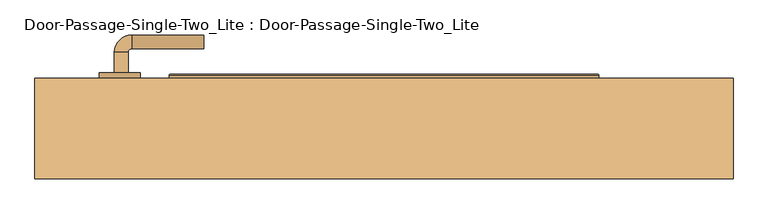
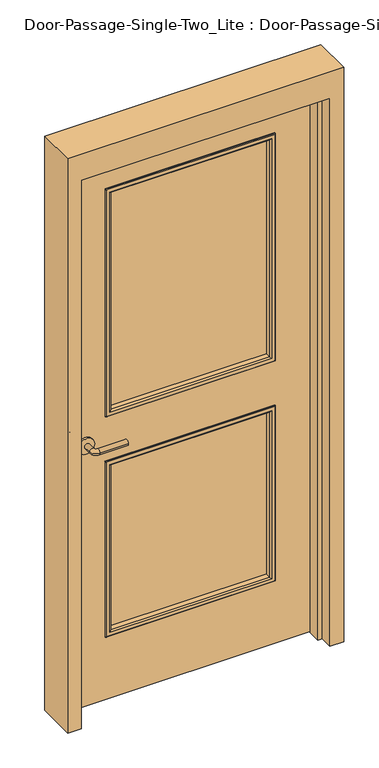
"""IFC4 building model written with IfcOpenShell, lengths in millimetres: door geometry, Door-Passage-Single-Two_Lite : Door-Passage-Single-Two_Lite."""

from ifc_helpers import new_model, si_unit, point, frame, frame_2d, origin, place, context, project, spatial, polyline, circle_curve, ellipse_curve, trimmed, segment, composite_curve, outline, extrude, faceted_brep, source, transform, mapped, element, save
from ifc_brep_helpers import plane_surface, cylinder_surface, revolved_surface, advanced_brep


def door_passage_single_two_lite_door_passage_single_two_lite_fec6f3ca(model_context):
    return source(origin(), model_context, "Body", "SolidModel", [
        advanced_brep(
        [(-392.190625, 104.7125, 1016.0), (-372.190625, 104.7125, 1016.0), (-372.190625, 74.7125, 1016.0), (-392.190625, 74.7125, 1016.0), (-367.190625, 69.7125, 1016.0), (-367.190625, 49.7125, 1016.0), (-262.190625, 49.7125, 1016.0), (-262.190625, 69.7125, 1016.0)],
        [
            (0, 1, circle_curve(frame((-382.190625, 104.7125, 1016.0), z_axis=(0.0, 1.0, 0.0), x_axis=(1.0, 0.0, 0.0)), 10.0)),
            (1, 0, circle_curve(frame((-382.190625, 104.7125, 1016.0), z_axis=(0.0, 1.0, 0.0), x_axis=(1.0, 0.0, 0.0)), 10.0)),
            (1, 2),
            (2, 3, circle_curve(frame((-382.190625, 74.7125, 1016.0), z_axis=(0.0, 1.0, 0.0), x_axis=(1.0, 0.0, 0.0)), 10.0)),
            (3, 0),
            (3, 2, circle_curve(frame((-382.190625, 74.7125, 1016.0), z_axis=(0.0, 1.0, 0.0), x_axis=(1.0, 0.0, 0.0)), 10.0)),
            (4, 5, circle_curve(frame((-367.190625, 59.7125, 1016.0), z_axis=(-1.0, 0.0, 0.0), x_axis=(0.0, 1.0, 0.0)), 10.0)),
            (5, 3, circle_curve(frame((-367.190625, 74.7125, 1016.0), z_axis=(0.0, 0.0, -1.0), x_axis=(-1.0, 0.0, 0.0)), 25.0)),
            (2, 4, circle_curve(frame((-367.190625, 74.7125, 1016.0), z_axis=(0.0, 0.0, 1.0), x_axis=(-1.0, 0.0, 0.0)), 5.0)),
            (5, 4, circle_curve(frame((-367.190625, 59.7125, 1016.0), z_axis=(-1.0, 0.0, 0.0), x_axis=(0.0, 1.0, 0.0)), 10.0)),
            (6, 7, circle_curve(frame((-262.190625, 59.7125, 1016.0), z_axis=(1.0, 0.0, 0.0), x_axis=(0.0, 1.0, 0.0)), 10.0)),
            (7, 6, circle_curve(frame((-262.190625, 59.7125, 1016.0), z_axis=(1.0, 0.0, 0.0), x_axis=(0.0, 1.0, 0.0)), 10.0)),
            (4, 7),
            (6, 5),
        ],
        [
            plane_surface(frame((-382.190625, 104.7125, 1016.0), z_axis=(0.0, 1.0, 0.0), x_axis=(0.0, 0.0, 1.0))),
            cylinder_surface(frame((-382.190625, 104.7125, 1016.0), z_axis=(0.0, 1.0, 0.0), x_axis=(1.0, 0.0, 0.0)), 10.0),
            revolved_surface(trimmed(ellipse_curve(frame((-382.190625, 74.7125, 1016.0), z_axis=(0.0, -1.0, 0.0), x_axis=(1.0, 0.0, 0.0)), 10.0, 10.0), [point((-392.190625, 74.7125, 1016.0))], [point((-372.190625, 74.7125, 1016.0))], True, "CARTESIAN"), (-367.190625, 74.7125, 1016.0), (0.0, 0.0, -1.0)),
            revolved_surface(trimmed(ellipse_curve(frame((-382.190625, 74.7125, 1016.0), z_axis=(0.0, -1.0, 0.0), x_axis=(1.0, 0.0, 0.0)), 10.0, 10.0), [point((-372.190625, 74.7125, 1016.0))], [point((-392.190625, 74.7125, 1016.0))], True, "CARTESIAN"), (-367.190625, 74.7125, 1016.0), (0.0, 0.0, -1.0)),
            plane_surface(frame((-262.190625, 59.7125, 1016.0), z_axis=(1.0, 0.0, 0.0), x_axis=(0.0, 0.0, 1.0))),
            cylinder_surface(frame((-367.190625, 59.7125, 1016.0), z_axis=(-1.0, 0.0, 0.0), x_axis=(0.0, 1.0, 0.0)), 10.0),
        ],
        [
            (0, [[1, 2]]),
            (1, [[3, 4, 5, -2]]),
            (1, [[-5, 6, -3, -1]]),
            (2, [[7, 8, -4, 9]]),
            (3, [[10, -9, -6, -8]]),
            (4, [[11, 12]]),
            (5, [[13, -11, 14, -7]]),
            (5, [[-14, -12, -13, -10]]),
        ],
    ),
        extrude(outline(composite_curve([segment(trimmed(circle_curve(frame_2d((1016.0, -384.690625)), 30.0), [point((1016.0, -414.690625))], [point((1016.0, -354.690625))], False, "CARTESIAN"), True, "CONTINUOUS"), segment(trimmed(circle_curve(frame_2d((1016.0, -384.690625)), 30.0), [point((1016.0, -354.690625))], [point((1016.0, -414.690625))], False, "CARTESIAN"), True, "CONTINUOUS")], self_intersect=False)), frame((0.0, 104.7125, 0.0), z_axis=(0.0, 1.0, 0.0), x_axis=(0.0, 0.0, 1.0)), (0.0, 0.0, 1.0), 8.0),
        advanced_brep(
        [(-392.190625, 165.1625, 1016.0), (-372.190625, 165.1625, 1016.0), (-392.190625, 195.1625, 1016.0), (-372.190625, 195.1625, 1016.0), (-367.190625, 200.1625, 1016.0), (-367.190625, 220.1625, 1016.0), (-262.190625, 220.1625, 1016.0), (-262.190625, 200.1625, 1016.0)],
        [
            (0, 1, circle_curve(frame((-382.190625, 165.1625, 1016.0), z_axis=(0.0, -1.0, 0.0), x_axis=(1.0, 0.0, 0.0)), 10.0)),
            (1, 0, circle_curve(frame((-382.190625, 165.1625, 1016.0), z_axis=(0.0, -1.0, 0.0), x_axis=(1.0, 0.0, 0.0)), 10.0)),
            (0, 2),
            (2, 3, circle_curve(frame((-382.190625, 195.1625, 1016.0), z_axis=(0.0, -1.0, 0.0), x_axis=(1.0, 0.0, 0.0)), 10.0)),
            (3, 1),
            (3, 2, circle_curve(frame((-382.190625, 195.1625, 1016.0), z_axis=(0.0, -1.0, 0.0), x_axis=(1.0, 0.0, 0.0)), 10.0)),
            (4, 3, circle_curve(frame((-367.190625, 195.1625, 1016.0), z_axis=(0.0, 0.0, 1.0), x_axis=(-1.0, 0.0, 0.0)), 5.0)),
            (2, 5, circle_curve(frame((-367.190625, 195.1625, 1016.0), z_axis=(0.0, 0.0, -1.0), x_axis=(-1.0, 0.0, 0.0)), 25.0)),
            (5, 4, circle_curve(frame((-367.190625, 210.1625, 1016.0), z_axis=(-1.0, 0.0, 0.0), x_axis=(0.0, -1.0, 0.0)), 10.0)),
            (4, 5, circle_curve(frame((-367.190625, 210.1625, 1016.0), z_axis=(-1.0, 0.0, 0.0), x_axis=(0.0, -1.0, 0.0)), 10.0)),
            (6, 7, circle_curve(frame((-262.190625, 210.1625, 1016.0), z_axis=(1.0, 0.0, 0.0), x_axis=(0.0, -1.0, 0.0)), 10.0)),
            (7, 6, circle_curve(frame((-262.190625, 210.1625, 1016.0), z_axis=(1.0, 0.0, 0.0), x_axis=(0.0, -1.0, 0.0)), 10.0)),
            (5, 6),
            (7, 4),
        ],
        [
            plane_surface(frame((-382.190625, 165.1625, 1016.0), z_axis=(0.0, -1.0, 0.0), x_axis=(0.0, 0.0, 1.0))),
            cylinder_surface(frame((-382.190625, 165.1625, 1016.0), z_axis=(0.0, -1.0, 0.0), x_axis=(1.0, 0.0, 0.0)), 10.0),
            revolved_surface(trimmed(ellipse_curve(frame((-382.190625, 195.1625, 1016.0), z_axis=(0.0, -1.0, 0.0), x_axis=(1.0, 0.0, 0.0)), 10.0, 10.0), [point((-392.190625, 195.1625, 1016.0))], [point((-372.190625, 195.1625, 1016.0))], True, "CARTESIAN"), (-367.190625, 195.1625, 1016.0), (0.0, 0.0, -1.0)),
            revolved_surface(trimmed(ellipse_curve(frame((-382.190625, 195.1625, 1016.0), z_axis=(0.0, -1.0, 0.0), x_axis=(1.0, 0.0, 0.0)), 10.0, 10.0), [point((-372.190625, 195.1625, 1016.0))], [point((-392.190625, 195.1625, 1016.0))], True, "CARTESIAN"), (-367.190625, 195.1625, 1016.0), (0.0, 0.0, -1.0)),
            plane_surface(frame((-262.190625, 210.1625, 1016.0), z_axis=(1.0, 0.0, 0.0), x_axis=(0.0, 0.0, 1.0))),
            cylinder_surface(frame((-367.190625, 210.1625, 1016.0), z_axis=(-1.0, 0.0, 0.0), x_axis=(0.0, -1.0, 0.0)), 10.0),
        ],
        [
            (0, [[1, 2]]),
            (1, [[-1, 3, 4, 5]]),
            (1, [[-2, -5, 6, -3]]),
            (2, [[7, -4, 8, 9]]),
            (3, [[-8, -6, -7, 10]]),
            (4, [[11, 12]]),
            (5, [[-9, 13, -12, 14]]),
            (5, [[-10, -14, -11, -13]]),
        ],
    ),
        extrude(outline(composite_curve([segment(trimmed(circle_curve(frame_2d((1016.0, -384.690625)), 30.0), [point((1016.0, -414.690625))], [point((1016.0, -354.690625))], False, "CARTESIAN"), True, "CONTINUOUS"), segment(trimmed(circle_curve(frame_2d((1016.0, -384.690625)), 30.0), [point((1016.0, -354.690625))], [point((1016.0, -414.690625))], False, "CARTESIAN"), True, "CONTINUOUS")], self_intersect=False)), frame((0.0, 157.1625, 0.0), z_axis=(0.0, 1.0, 0.0), x_axis=(0.0, 0.0, 1.0)), (0.0, 0.0, 1.0), 8.0),
        faceted_brep([(457.2, 107.95, 0.0), (457.2, 157.1625, 0.0), (508.0, 157.1625, 0.0), (508.0, 11.1125, 0.0), (457.2, 11.1125, 0.0), (457.2, 60.325, 0.0), (441.325, 60.325, 0.0), (441.325, 107.95, 0.0), (457.2, 107.95, 2133.6), (457.2, 157.1625, 2133.6), (-457.2, 157.1625, 2133.6), (-457.2, 157.1625, 0.0), (-508.0, 157.1625, 0.0), (-508.0, 157.1625, 2235.2), (508.0, 157.1625, 2235.2), (508.0, 11.1125, 2235.2), (-508.0, 11.1125, 2235.2), (-508.0, 11.1125, 0.0), (-457.2, 11.1125, 0.0), (-457.2, 11.1125, 2133.6), (457.2, 11.1125, 2133.6), (457.2, 60.325, 2133.6), (-457.2, 60.325, 2133.6), (-457.2, 60.325, 0.0), (-441.325, 60.325, 0.0), (-441.325, 60.325, 2117.725), (441.325, 60.325, 2117.725), (441.325, 107.95, 2117.725), (-441.325, 107.95, 2117.725), (-441.325, 107.95, 0.0), (-457.2, 107.95, 0.0), (-457.2, 107.95, 2133.6)], [[[0, 1, 2, 3, 4, 5, 6, 7]], [[1, 0, 8, 9]], [[2, 1, 9, 10, 11, 12, 13, 14]], [[3, 2, 14, 15]], [[4, 3, 15, 16, 17, 18, 19, 20]], [[5, 4, 20, 21]], [[6, 5, 21, 22, 23, 24, 25, 26]], [[7, 6, 26, 27]], [[0, 7, 27, 28, 29, 30, 31, 8]], [[9, 8, 31, 10]], [[20, 19, 22, 21]], [[26, 25, 28, 27]], [[12, 11, 30, 29, 24, 23, 18, 17]], [[11, 10, 31, 30]], [[13, 12, 17, 16]], [[19, 18, 23, 22]], [[25, 24, 29, 28]], [[15, 14, 13, 16]]]),
        extrude(outline(polyline([(2133.6, -457.2), (0.0, -457.2), (0.0, 457.2), (2133.6, 457.2), (2133.6, -457.2)]), holes=[polyline([(1981.2, -304.8), (1981.2, 304.8), (1111.25, 304.8), (1111.25, -304.8), (1981.2, -304.8)]), polyline([(920.75, -304.8), (920.75, 304.8), (254.0, 304.8), (254.0, -304.8), (920.75, -304.8)])]), frame((0.0, 112.7125, 0.0), z_axis=(0.0, 1.0, 0.0), x_axis=(0.0, 0.0, 1.0)), (0.0, 0.0, 1.0), 44.45),
        extrude(outline(polyline([(304.8, 131.7625), (-304.8, 131.7625), (-304.8, 138.1125), (304.8, 138.1125), (304.8, 131.7625)])), frame((0.0, 0.0, 1111.25), z_axis=(0.0, 0.0, 1.0), x_axis=(1.0, 0.0, 0.0)), (0.0, 0.0, 1.0), 869.95),
        extrude(outline(polyline([(304.8, 131.7625), (-304.8, 131.7625), (-304.8, 138.1125), (304.8, 138.1125), (304.8, 131.7625)])), frame((0.0, 0.0, 254.0), z_axis=(0.0, 0.0, 1.0), x_axis=(1.0, 0.0, 0.0)), (0.0, 0.0, 1.0), 666.75),
        advanced_brep(
        [(304.8, 131.7625, 920.75), (304.8, 112.7125, 920.75), (304.8, 112.7125, 254.0), (304.8, 131.7625, 254.0), (292.8, 111.7125, 908.75), (292.8, 131.7625, 908.75), (292.8, 131.7625, 266.0), (292.8, 111.7125, 266.0), (297.8, 106.7125, 913.75), (297.8, 106.7125, 261.0), (312.8, 108.7125, 928.75), (310.8, 106.7125, 926.75), (310.8, 106.7125, 248.0), (312.8, 108.7125, 246.0), (312.8, 112.7125, 928.75), (312.8, 112.7125, 246.0), (-304.8, 112.7125, 254.0), (-304.8, 131.7625, 254.0), (-292.8, 131.7625, 266.0), (-292.8, 111.7125, 266.0), (-297.8, 106.7125, 261.0), (-310.8, 106.7125, 248.0), (-312.8, 108.7125, 246.0), (-312.8, 112.7125, 246.0), (-304.8, 112.7125, 920.75), (-304.8, 131.7625, 920.75), (-292.8, 131.7625, 908.75), (-292.8, 111.7125, 908.75), (-297.8, 106.7125, 913.75), (-310.8, 106.7125, 926.75), (-312.8, 108.7125, 928.75), (-312.8, 112.7125, 928.75)],
        [
            (0, 1),
            (1, 2),
            (2, 3),
            (3, 0),
            (4, 5),
            (5, 6),
            (6, 7),
            (7, 4),
            (8, 4, ellipse_curve(frame((297.8, 111.7125, 913.75), z_axis=(0.7071067811865475, 0.0, -0.7071067811865475), x_axis=(0.7071067811865474, 0.0, 0.7071067811865476)), 7.0710678, 5.0)),
            (7, 9, ellipse_curve(frame((297.8, 111.7125, 261.0), z_axis=(0.7071067811865475, 0.0, 0.7071067811865475), x_axis=(-0.7071067811865474, 0.0, 0.7071067811865476)), 7.0710678, 5.0)),
            (9, 8),
            (10, 11, ellipse_curve(frame((310.8, 108.7125, 926.75), z_axis=(0.7071067811865475, 0.0, -0.7071067811865475), x_axis=(0.7071067811865474, 0.0, 0.7071067811865476)), 2.8284271, 2.0)),
            (11, 12),
            (12, 13, ellipse_curve(frame((310.8, 108.7125, 248.0), z_axis=(0.7071067811865475, 0.0, 0.7071067811865475), x_axis=(-0.7071067811865474, 0.0, 0.7071067811865476)), 2.8284271, 2.0)),
            (13, 10),
            (14, 10),
            (13, 15),
            (15, 14),
            (2, 16),
            (16, 17),
            (17, 3),
            (6, 18),
            (18, 19),
            (19, 7),
            (19, 20, ellipse_curve(frame((-297.8, 111.7125, 261.0), z_axis=(0.7071067811865475, 0.0, -0.7071067811865475), x_axis=(0.7071067811865476, 0.0, 0.7071067811865474)), 7.0710678, 5.0)),
            (20, 9),
            (12, 21),
            (21, 22, ellipse_curve(frame((-310.8, 108.7125, 248.0), z_axis=(0.7071067811865475, 0.0, -0.7071067811865475), x_axis=(0.7071067811865476, 0.0, 0.7071067811865474)), 2.8284271, 2.0)),
            (22, 13),
            (22, 23),
            (23, 15),
            (16, 24),
            (24, 25),
            (25, 17),
            (18, 26),
            (26, 27),
            (27, 19),
            (27, 28, ellipse_curve(frame((-297.8, 111.7125, 913.75), z_axis=(-0.7071067811865475, 0.0, -0.7071067811865475), x_axis=(0.7071067811865474, 0.0, -0.7071067811865476)), 7.0710678, 5.0)),
            (28, 20),
            (21, 29),
            (29, 30, ellipse_curve(frame((-310.8, 108.7125, 926.75), z_axis=(-0.7071067811865475, 0.0, -0.7071067811865475), x_axis=(0.7071067811865474, 0.0, -0.7071067811865476)), 2.8284271, 2.0)),
            (30, 22),
            (30, 31),
            (31, 23),
            (31, 14),
            (1, 24),
            (0, 25),
            (5, 26),
            (4, 27),
            (8, 28),
            (11, 29),
            (10, 30),
        ],
        [
            plane_surface(frame((304.8, 112.7125, 920.75), z_axis=(1.0, 0.0, 0.0), x_axis=(0.0, 0.0, -1.0))),
            plane_surface(frame((292.8, 131.7625, 908.75), z_axis=(-1.0, 0.0, 0.0), x_axis=(0.0, 0.0, -1.0))),
            cylinder_surface(frame((297.8, 111.7125, 920.75), z_axis=(0.0, 0.0, 1.0), x_axis=(1.0, 0.0, 0.0)), 5.0),
            cylinder_surface(frame((310.8, 108.7125, 920.75), z_axis=(0.0, 0.0, 1.0), x_axis=(1.0, 0.0, 0.0)), 2.0),
            plane_surface(frame((312.8, 108.7125, 928.75), z_axis=(1.0, 0.0, 0.0), x_axis=(0.0, 0.0, -1.0))),
            plane_surface(frame((304.8, 112.7125, 254.0), z_axis=(0.0, 0.0, -1.0), x_axis=(-1.0, 0.0, 0.0))),
            plane_surface(frame((292.8, 131.7625, 266.0), z_axis=(0.0, 0.0, 1.0), x_axis=(-1.0, 0.0, 0.0))),
            cylinder_surface(frame((304.8, 111.7125, 261.0), z_axis=(1.0, 0.0, 0.0), x_axis=(0.0, 0.0, -1.0)), 5.0),
            cylinder_surface(frame((304.8, 108.7125, 248.0), z_axis=(1.0, 0.0, 0.0), x_axis=(0.0, 0.0, -1.0)), 2.0),
            plane_surface(frame((312.8, 108.7125, 246.0), z_axis=(0.0, 0.0, -1.0), x_axis=(-1.0, 0.0, 0.0))),
            plane_surface(frame((-304.8, 112.7125, 254.0), z_axis=(-1.0, 0.0, 0.0), x_axis=(0.0, 0.0, 1.0))),
            plane_surface(frame((-292.8, 131.7625, 266.0), z_axis=(1.0, 0.0, 0.0), x_axis=(0.0, 0.0, 1.0))),
            cylinder_surface(frame((-297.8, 111.7125, 254.0), z_axis=(0.0, 0.0, -1.0), x_axis=(-1.0, 0.0, 0.0)), 5.0),
            cylinder_surface(frame((-310.8, 108.7125, 254.0), z_axis=(0.0, 0.0, -1.0), x_axis=(-1.0, 0.0, 0.0)), 2.0),
            plane_surface(frame((-312.8, 108.7125, 246.0), z_axis=(-1.0, 0.0, 0.0), x_axis=(0.0, 0.0, 1.0))),
            plane_surface(frame((-312.8, 112.7125, 928.75), z_axis=(0.0, 1.0, 0.0), x_axis=(1.0, 0.0, 0.0))),
            plane_surface(frame((-304.8, 112.7125, 920.75), z_axis=(0.0, 0.0, 1.0), x_axis=(1.0, 0.0, 0.0))),
            plane_surface(frame((-304.8, 131.7625, 920.75), z_axis=(0.0, 1.0, 0.0), x_axis=(1.0, 0.0, 0.0))),
            plane_surface(frame((-292.8, 131.7625, 908.75), z_axis=(0.0, 0.0, -1.0), x_axis=(1.0, 0.0, 0.0))),
            cylinder_surface(frame((-304.8, 111.7125, 913.75), z_axis=(-1.0, 0.0, 0.0), x_axis=(0.0, 0.0, 1.0)), 5.0),
            plane_surface(frame((-297.8, 106.7125, 913.75), z_axis=(0.0, -1.0, 0.0), x_axis=(1.0, 0.0, 0.0))),
            cylinder_surface(frame((-304.8, 108.7125, 926.75), z_axis=(-1.0, 0.0, 0.0), x_axis=(0.0, 0.0, 1.0)), 2.0),
            plane_surface(frame((-312.8, 108.7125, 928.75), z_axis=(0.0, 0.0, 1.0), x_axis=(1.0, 0.0, 0.0))),
        ],
        [
            (0, [[1, 2, 3, 4]]),
            (1, [[5, 6, 7, 8]]),
            (2, [[9, -8, 10, 11]]),
            (3, [[12, 13, 14, 15]]),
            (4, [[16, -15, 17, 18]]),
            (5, [[-3, 19, 20, 21]]),
            (6, [[-7, 22, 23, 24]]),
            (7, [[-10, -24, 25, 26]]),
            (8, [[-14, 27, 28, 29]]),
            (9, [[-17, -29, 30, 31]]),
            (10, [[-20, 32, 33, 34]]),
            (11, [[-23, 35, 36, 37]]),
            (12, [[-25, -37, 38, 39]]),
            (13, [[-28, 40, 41, 42]]),
            (14, [[-30, -42, 43, 44]]),
            (15, [[-31, -44, 45, -18], [46, -32, -19, -2]]),
            (16, [[-33, -46, -1, 47]]),
            (17, [[-21, -34, -47, -4], [48, -35, -22, -6]]),
            (18, [[-36, -48, -5, 49]]),
            (19, [[-38, -49, -9, 50]]),
            (20, [[51, -40, -27, -13], [-26, -39, -50, -11]]),
            (21, [[-41, -51, -12, 52]]),
            (22, [[-43, -52, -16, -45]]),
        ],
    ),
        advanced_brep(
        [(-304.8, 138.1125, 920.75), (-304.8, 157.1625, 920.75), (-304.8, 157.1625, 254.0), (-304.8, 138.1125, 254.0), (-292.8, 158.1625, 908.75), (-292.8, 138.1125, 908.75), (-292.8, 138.1125, 266.0), (-292.8, 158.1625, 266.0), (-297.8, 163.1625, 913.75), (-297.8, 163.1625, 261.0), (-312.8, 161.1625, 928.75), (-310.8, 163.1625, 926.75), (-310.8, 163.1625, 248.0), (-312.8, 161.1625, 246.0), (-312.8, 157.1625, 928.75), (-312.8, 157.1625, 246.0), (304.8, 157.1625, 254.0), (304.8, 138.1125, 254.0), (292.8, 138.1125, 266.0), (292.8, 158.1625, 266.0), (297.8, 163.1625, 261.0), (310.8, 163.1625, 248.0), (312.8, 161.1625, 246.0), (312.8, 157.1625, 246.0), (304.8, 157.1625, 920.75), (304.8, 138.1125, 920.75), (292.8, 138.1125, 908.75), (292.8, 158.1625, 908.75), (297.8, 163.1625, 913.75), (310.8, 163.1625, 926.75), (312.8, 161.1625, 928.75), (312.8, 157.1625, 928.75)],
        [
            (0, 1),
            (1, 2),
            (2, 3),
            (3, 0),
            (4, 5),
            (5, 6),
            (6, 7),
            (7, 4),
            (8, 4, ellipse_curve(frame((-297.8, 158.1625, 913.75), z_axis=(-0.7071067811865475, 0.0, -0.7071067811865475), x_axis=(-0.7071067811865474, 0.0, 0.7071067811865476)), 7.0710678, 5.0)),
            (7, 9, ellipse_curve(frame((-297.8, 158.1625, 261.0), z_axis=(-0.7071067811865475, 0.0, 0.7071067811865475), x_axis=(0.7071067811865474, 0.0, 0.7071067811865476)), 7.0710678, 5.0)),
            (9, 8),
            (10, 11, ellipse_curve(frame((-310.8, 161.1625, 926.75), z_axis=(-0.7071067811865475, 0.0, -0.7071067811865475), x_axis=(-0.7071067811865474, 0.0, 0.7071067811865476)), 2.8284271, 2.0)),
            (11, 12),
            (12, 13, ellipse_curve(frame((-310.8, 161.1625, 248.0), z_axis=(-0.7071067811865475, 0.0, 0.7071067811865475), x_axis=(0.7071067811865474, 0.0, 0.7071067811865476)), 2.8284271, 2.0)),
            (13, 10),
            (14, 10),
            (13, 15),
            (15, 14),
            (2, 16),
            (16, 17),
            (17, 3),
            (6, 18),
            (18, 19),
            (19, 7),
            (19, 20, ellipse_curve(frame((297.8, 158.1625, 261.0), z_axis=(-0.7071067811865475, 0.0, -0.7071067811865475), x_axis=(-0.7071067811865476, 0.0, 0.7071067811865474)), 7.0710678, 5.0)),
            (20, 9),
            (12, 21),
            (21, 22, ellipse_curve(frame((310.8, 161.1625, 248.0), z_axis=(-0.7071067811865475, 0.0, -0.7071067811865475), x_axis=(-0.7071067811865476, 0.0, 0.7071067811865474)), 2.8284271, 2.0)),
            (22, 13),
            (22, 23),
            (23, 15),
            (16, 24),
            (24, 25),
            (25, 17),
            (18, 26),
            (26, 27),
            (27, 19),
            (27, 28, ellipse_curve(frame((297.8, 158.1625, 913.75), z_axis=(0.7071067811865475, 0.0, -0.7071067811865475), x_axis=(-0.7071067811865474, 0.0, -0.7071067811865476)), 7.0710678, 5.0)),
            (28, 20),
            (21, 29),
            (29, 30, ellipse_curve(frame((310.8, 161.1625, 926.75), z_axis=(0.7071067811865475, 0.0, -0.7071067811865475), x_axis=(-0.7071067811865474, 0.0, -0.7071067811865476)), 2.8284271, 2.0)),
            (30, 22),
            (30, 31),
            (31, 23),
            (31, 14),
            (1, 24),
            (0, 25),
            (5, 26),
            (4, 27),
            (8, 28),
            (11, 29),
            (10, 30),
        ],
        [
            plane_surface(frame((-304.8, 157.1625, 920.75), z_axis=(-1.0, 0.0, 0.0), x_axis=(0.0, 0.0, -1.0))),
            plane_surface(frame((-292.8, 138.1125, 908.75), z_axis=(1.0, 0.0, 0.0), x_axis=(0.0, 0.0, -1.0))),
            cylinder_surface(frame((-297.8, 158.1625, 920.75), z_axis=(0.0, 0.0, 1.0), x_axis=(-1.0, 0.0, 0.0)), 5.0),
            cylinder_surface(frame((-310.8, 161.1625, 920.75), z_axis=(0.0, 0.0, 1.0), x_axis=(-1.0, 0.0, 0.0)), 2.0),
            plane_surface(frame((-312.8, 161.1625, 928.75), z_axis=(-1.0, 0.0, 0.0), x_axis=(0.0, 0.0, -1.0))),
            plane_surface(frame((-304.8, 157.1625, 254.0), z_axis=(0.0, 0.0, -1.0), x_axis=(1.0, 0.0, 0.0))),
            plane_surface(frame((-292.8, 138.1125, 266.0), z_axis=(0.0, 0.0, 1.0), x_axis=(1.0, 0.0, 0.0))),
            cylinder_surface(frame((-304.8, 158.1625, 261.0), z_axis=(-1.0, 0.0, 0.0), x_axis=(0.0, 0.0, -1.0)), 5.0),
            cylinder_surface(frame((-304.8, 161.1625, 248.0), z_axis=(-1.0, 0.0, 0.0), x_axis=(0.0, 0.0, -1.0)), 2.0),
            plane_surface(frame((-312.8, 161.1625, 246.0), z_axis=(0.0, 0.0, -1.0), x_axis=(1.0, 0.0, 0.0))),
            plane_surface(frame((304.8, 157.1625, 254.0), z_axis=(1.0, 0.0, 0.0), x_axis=(0.0, 0.0, 1.0))),
            plane_surface(frame((292.8, 138.1125, 266.0), z_axis=(-1.0, 0.0, 0.0), x_axis=(0.0, 0.0, 1.0))),
            cylinder_surface(frame((297.8, 158.1625, 254.0), z_axis=(0.0, 0.0, -1.0), x_axis=(1.0, 0.0, 0.0)), 5.0),
            cylinder_surface(frame((310.8, 161.1625, 254.0), z_axis=(0.0, 0.0, -1.0), x_axis=(1.0, 0.0, 0.0)), 2.0),
            plane_surface(frame((312.8, 161.1625, 246.0), z_axis=(1.0, 0.0, 0.0), x_axis=(0.0, 0.0, 1.0))),
            plane_surface(frame((312.8, 157.1625, 928.75), z_axis=(0.0, -1.0, 0.0), x_axis=(-1.0, 0.0, 0.0))),
            plane_surface(frame((304.8, 157.1625, 920.75), z_axis=(0.0, 0.0, 1.0), x_axis=(-1.0, 0.0, 0.0))),
            plane_surface(frame((304.8, 138.1125, 920.75), z_axis=(0.0, -1.0, 0.0), x_axis=(-1.0, 0.0, 0.0))),
            plane_surface(frame((292.8, 138.1125, 908.75), z_axis=(0.0, 0.0, -1.0), x_axis=(-1.0, 0.0, 0.0))),
            cylinder_surface(frame((304.8, 158.1625, 913.75), z_axis=(1.0, 0.0, 0.0), x_axis=(0.0, 0.0, 1.0)), 5.0),
            plane_surface(frame((297.8, 163.1625, 913.75), z_axis=(0.0, 1.0, 0.0), x_axis=(-1.0, 0.0, 0.0))),
            cylinder_surface(frame((304.8, 161.1625, 926.75), z_axis=(1.0, 0.0, 0.0), x_axis=(0.0, 0.0, 1.0)), 2.0),
            plane_surface(frame((312.8, 161.1625, 928.75), z_axis=(0.0, 0.0, 1.0), x_axis=(-1.0, 0.0, 0.0))),
        ],
        [
            (0, [[1, 2, 3, 4]]),
            (1, [[5, 6, 7, 8]]),
            (2, [[9, -8, 10, 11]]),
            (3, [[12, 13, 14, 15]]),
            (4, [[16, -15, 17, 18]]),
            (5, [[-3, 19, 20, 21]]),
            (6, [[-7, 22, 23, 24]]),
            (7, [[-10, -24, 25, 26]]),
            (8, [[-14, 27, 28, 29]]),
            (9, [[-17, -29, 30, 31]]),
            (10, [[-20, 32, 33, 34]]),
            (11, [[-23, 35, 36, 37]]),
            (12, [[-25, -37, 38, 39]]),
            (13, [[-28, 40, 41, 42]]),
            (14, [[-30, -42, 43, 44]]),
            (15, [[-31, -44, 45, -18], [46, -32, -19, -2]]),
            (16, [[-33, -46, -1, 47]]),
            (17, [[-21, -34, -47, -4], [48, -35, -22, -6]]),
            (18, [[-36, -48, -5, 49]]),
            (19, [[-38, -49, -9, 50]]),
            (20, [[51, -40, -27, -13], [-26, -39, -50, -11]]),
            (21, [[-41, -51, -12, 52]]),
            (22, [[-43, -52, -16, -45]]),
        ],
    ),
        advanced_brep(
        [(-304.8, 131.7625, 1111.25), (-304.8, 112.7125, 1111.25), (-304.8, 112.7125, 1981.2), (-304.8, 131.7625, 1981.2), (-292.8, 111.7125, 1123.25), (-292.8, 131.7625, 1123.25), (-292.8, 131.7625, 1969.2), (-292.8, 111.7125, 1969.2), (-297.8, 106.7125, 1118.25), (-297.8, 106.7125, 1974.2), (-312.8, 108.7125, 1103.25), (-310.8, 106.7125, 1105.25), (-310.8, 106.7125, 1987.2), (-312.8, 108.7125, 1989.2), (-312.8, 112.7125, 1103.25), (-312.8, 112.7125, 1989.2), (304.8, 112.7125, 1981.2), (304.8, 131.7625, 1981.2), (292.8, 131.7625, 1969.2), (292.8, 111.7125, 1969.2), (297.8, 106.7125, 1974.2), (310.8, 106.7125, 1987.2), (312.8, 108.7125, 1989.2), (312.8, 112.7125, 1989.2), (304.8, 112.7125, 1111.25), (304.8, 131.7625, 1111.25), (292.8, 131.7625, 1123.25), (292.8, 111.7125, 1123.25), (297.8, 106.7125, 1118.25), (310.8, 106.7125, 1105.25), (312.8, 108.7125, 1103.25), (312.8, 112.7125, 1103.25)],
        [
            (0, 1),
            (1, 2),
            (2, 3),
            (3, 0),
            (4, 5),
            (5, 6),
            (6, 7),
            (7, 4),
            (8, 4, ellipse_curve(frame((-297.8, 111.7125, 1118.25), z_axis=(-0.7071067811865475, 0.0, 0.7071067811865475), x_axis=(-0.7071067811865474, 0.0, -0.7071067811865476)), 7.0710678, 5.0)),
            (7, 9, ellipse_curve(frame((-297.8, 111.7125, 1974.2), z_axis=(-0.7071067811865475, 0.0, -0.7071067811865475), x_axis=(0.7071067811865474, 0.0, -0.7071067811865476)), 7.0710678, 5.0)),
            (9, 8),
            (10, 11, ellipse_curve(frame((-310.8, 108.7125, 1105.25), z_axis=(-0.7071067811865475, 0.0, 0.7071067811865475), x_axis=(-0.7071067811865474, 0.0, -0.7071067811865476)), 2.8284271, 2.0)),
            (11, 12),
            (12, 13, ellipse_curve(frame((-310.8, 108.7125, 1987.2), z_axis=(-0.7071067811865475, 0.0, -0.7071067811865475), x_axis=(0.7071067811865474, 0.0, -0.7071067811865476)), 2.8284271, 2.0)),
            (13, 10),
            (14, 10),
            (13, 15),
            (15, 14),
            (2, 16),
            (16, 17),
            (17, 3),
            (6, 18),
            (18, 19),
            (19, 7),
            (19, 20, ellipse_curve(frame((297.8, 111.7125, 1974.2), z_axis=(-0.7071067811865475, 0.0, 0.7071067811865475), x_axis=(-0.7071067811865476, 0.0, -0.7071067811865474)), 7.0710678, 5.0)),
            (20, 9),
            (12, 21),
            (21, 22, ellipse_curve(frame((310.8, 108.7125, 1987.2), z_axis=(-0.7071067811865475, 0.0, 0.7071067811865475), x_axis=(-0.7071067811865476, 0.0, -0.7071067811865474)), 2.8284271, 2.0)),
            (22, 13),
            (22, 23),
            (23, 15),
            (16, 24),
            (24, 25),
            (25, 17),
            (18, 26),
            (26, 27),
            (27, 19),
            (27, 28, ellipse_curve(frame((297.8, 111.7125, 1118.25), z_axis=(0.7071067811865475, 0.0, 0.7071067811865475), x_axis=(-0.7071067811865474, 0.0, 0.7071067811865476)), 7.0710678, 5.0)),
            (28, 20),
            (21, 29),
            (29, 30, ellipse_curve(frame((310.8, 108.7125, 1105.25), z_axis=(0.7071067811865475, 0.0, 0.7071067811865475), x_axis=(-0.7071067811865474, 0.0, 0.7071067811865476)), 2.8284271, 2.0)),
            (30, 22),
            (30, 31),
            (31, 23),
            (31, 14),
            (1, 24),
            (0, 25),
            (5, 26),
            (4, 27),
            (8, 28),
            (11, 29),
            (10, 30),
        ],
        [
            plane_surface(frame((-304.8, 112.7125, 1111.25), z_axis=(-1.0, 0.0, 0.0), x_axis=(0.0, 0.0, 1.0))),
            plane_surface(frame((-292.8, 131.7625, 1123.25), z_axis=(1.0, 0.0, 0.0), x_axis=(0.0, 0.0, 1.0))),
            cylinder_surface(frame((-297.8, 111.7125, 1111.25), z_axis=(0.0, 0.0, -1.0), x_axis=(-1.0, 0.0, 0.0)), 5.0),
            cylinder_surface(frame((-310.8, 108.7125, 1111.25), z_axis=(0.0, 0.0, -1.0), x_axis=(-1.0, 0.0, 0.0)), 2.0),
            plane_surface(frame((-312.8, 108.7125, 1103.25), z_axis=(-1.0, 0.0, 0.0), x_axis=(0.0, 0.0, 1.0))),
            plane_surface(frame((-304.8, 112.7125, 1981.2), z_axis=(0.0, 0.0, 1.0), x_axis=(1.0, 0.0, 0.0))),
            plane_surface(frame((-292.8, 131.7625, 1969.2), z_axis=(0.0, 0.0, -1.0), x_axis=(1.0, 0.0, 0.0))),
            cylinder_surface(frame((-304.8, 111.7125, 1974.2), z_axis=(-1.0, 0.0, 0.0), x_axis=(0.0, 0.0, 1.0)), 5.0),
            cylinder_surface(frame((-304.8, 108.7125, 1987.2), z_axis=(-1.0, 0.0, 0.0), x_axis=(0.0, 0.0, 1.0)), 2.0),
            plane_surface(frame((-312.8, 108.7125, 1989.2), z_axis=(0.0, 0.0, 1.0), x_axis=(1.0, 0.0, 0.0))),
            plane_surface(frame((304.8, 112.7125, 1981.2), z_axis=(1.0, 0.0, 0.0), x_axis=(0.0, 0.0, -1.0))),
            plane_surface(frame((292.8, 131.7625, 1969.2), z_axis=(-1.0, 0.0, 0.0), x_axis=(0.0, 0.0, -1.0))),
            cylinder_surface(frame((297.8, 111.7125, 1981.2), z_axis=(0.0, 0.0, 1.0), x_axis=(1.0, 0.0, 0.0)), 5.0),
            cylinder_surface(frame((310.8, 108.7125, 1981.2), z_axis=(0.0, 0.0, 1.0), x_axis=(1.0, 0.0, 0.0)), 2.0),
            plane_surface(frame((312.8, 108.7125, 1989.2), z_axis=(1.0, 0.0, 0.0), x_axis=(0.0, 0.0, -1.0))),
            plane_surface(frame((312.8, 112.7125, 1103.25), z_axis=(0.0, 1.0, 0.0), x_axis=(-1.0, 0.0, 0.0))),
            plane_surface(frame((304.8, 112.7125, 1111.25), z_axis=(0.0, 0.0, -1.0), x_axis=(-1.0, 0.0, 0.0))),
            plane_surface(frame((304.8, 131.7625, 1111.25), z_axis=(0.0, 1.0, 0.0), x_axis=(-1.0, 0.0, 0.0))),
            plane_surface(frame((292.8, 131.7625, 1123.25), z_axis=(0.0, 0.0, 1.0), x_axis=(-1.0, 0.0, 0.0))),
            cylinder_surface(frame((304.8, 111.7125, 1118.25), z_axis=(1.0, 0.0, 0.0), x_axis=(0.0, 0.0, -1.0)), 5.0),
            plane_surface(frame((297.8, 106.7125, 1118.25), z_axis=(0.0, -1.0, 0.0), x_axis=(-1.0, 0.0, 0.0))),
            cylinder_surface(frame((304.8, 108.7125, 1105.25), z_axis=(1.0, 0.0, 0.0), x_axis=(0.0, 0.0, -1.0)), 2.0),
            plane_surface(frame((312.8, 108.7125, 1103.25), z_axis=(0.0, 0.0, -1.0), x_axis=(-1.0, 0.0, 0.0))),
        ],
        [
            (0, [[1, 2, 3, 4]]),
            (1, [[5, 6, 7, 8]]),
            (2, [[9, -8, 10, 11]]),
            (3, [[12, 13, 14, 15]]),
            (4, [[16, -15, 17, 18]]),
            (5, [[-3, 19, 20, 21]]),
            (6, [[-7, 22, 23, 24]]),
            (7, [[-10, -24, 25, 26]]),
            (8, [[-14, 27, 28, 29]]),
            (9, [[-17, -29, 30, 31]]),
            (10, [[-20, 32, 33, 34]]),
            (11, [[-23, 35, 36, 37]]),
            (12, [[-25, -37, 38, 39]]),
            (13, [[-28, 40, 41, 42]]),
            (14, [[-30, -42, 43, 44]]),
            (15, [[-31, -44, 45, -18], [46, -32, -19, -2]]),
            (16, [[-33, -46, -1, 47]]),
            (17, [[-21, -34, -47, -4], [48, -35, -22, -6]]),
            (18, [[-36, -48, -5, 49]]),
            (19, [[-38, -49, -9, 50]]),
            (20, [[51, -40, -27, -13], [-26, -39, -50, -11]]),
            (21, [[-41, -51, -12, 52]]),
            (22, [[-43, -52, -16, -45]]),
        ],
    ),
        advanced_brep(
        [(-304.8, 138.1125, 1981.2), (-304.8, 157.1625, 1981.2), (-304.8, 157.1625, 1111.25), (-304.8, 138.1125, 1111.25), (-292.8, 158.1625, 1969.2), (-292.8, 138.1125, 1969.2), (-292.8, 138.1125, 1123.25), (-292.8, 158.1625, 1123.25), (-297.8, 163.1625, 1974.2), (-297.8, 163.1625, 1118.25), (-312.8, 161.1625, 1989.2), (-310.8, 163.1625, 1987.2), (-310.8, 163.1625, 1105.25), (-312.8, 161.1625, 1103.25), (-312.8, 157.1625, 1989.2), (-312.8, 157.1625, 1103.25), (304.8, 157.1625, 1111.25), (304.8, 138.1125, 1111.25), (292.8, 138.1125, 1123.25), (292.8, 158.1625, 1123.25), (297.8, 163.1625, 1118.25), (310.8, 163.1625, 1105.25), (312.8, 161.1625, 1103.25), (312.8, 157.1625, 1103.25), (304.8, 157.1625, 1981.2), (304.8, 138.1125, 1981.2), (292.8, 138.1125, 1969.2), (292.8, 158.1625, 1969.2), (297.8, 163.1625, 1974.2), (310.8, 163.1625, 1987.2), (312.8, 161.1625, 1989.2), (312.8, 157.1625, 1989.2)],
        [
            (0, 1),
            (1, 2),
            (2, 3),
            (3, 0),
            (4, 5),
            (5, 6),
            (6, 7),
            (7, 4),
            (8, 4, ellipse_curve(frame((-297.8, 158.1625, 1974.2), z_axis=(-0.7071067811865475, 0.0, -0.7071067811865475), x_axis=(-0.7071067811865474, 0.0, 0.7071067811865476)), 7.0710678, 5.0)),
            (7, 9, ellipse_curve(frame((-297.8, 158.1625, 1118.25), z_axis=(-0.7071067811865475, 0.0, 0.7071067811865475), x_axis=(0.7071067811865474, 0.0, 0.7071067811865476)), 7.0710678, 5.0)),
            (9, 8),
            (10, 11, ellipse_curve(frame((-310.8, 161.1625, 1987.2), z_axis=(-0.7071067811865475, 0.0, -0.7071067811865475), x_axis=(-0.7071067811865474, 0.0, 0.7071067811865476)), 2.8284271, 2.0)),
            (11, 12),
            (12, 13, ellipse_curve(frame((-310.8, 161.1625, 1105.25), z_axis=(-0.7071067811865475, 0.0, 0.7071067811865475), x_axis=(0.7071067811865474, 0.0, 0.7071067811865476)), 2.8284271, 2.0)),
            (13, 10),
            (14, 10),
            (13, 15),
            (15, 14),
            (2, 16),
            (16, 17),
            (17, 3),
            (6, 18),
            (18, 19),
            (19, 7),
            (19, 20, ellipse_curve(frame((297.8, 158.1625, 1118.25), z_axis=(-0.7071067811865475, 0.0, -0.7071067811865475), x_axis=(-0.7071067811865476, 0.0, 0.7071067811865474)), 7.0710678, 5.0)),
            (20, 9),
            (12, 21),
            (21, 22, ellipse_curve(frame((310.8, 161.1625, 1105.25), z_axis=(-0.7071067811865475, 0.0, -0.7071067811865475), x_axis=(-0.7071067811865476, 0.0, 0.7071067811865474)), 2.8284271, 2.0)),
            (22, 13),
            (22, 23),
            (23, 15),
            (16, 24),
            (24, 25),
            (25, 17),
            (18, 26),
            (26, 27),
            (27, 19),
            (27, 28, ellipse_curve(frame((297.8, 158.1625, 1974.2), z_axis=(0.7071067811865475, 0.0, -0.7071067811865475), x_axis=(-0.7071067811865474, 0.0, -0.7071067811865476)), 7.0710678, 5.0)),
            (28, 20),
            (21, 29),
            (29, 30, ellipse_curve(frame((310.8, 161.1625, 1987.2), z_axis=(0.7071067811865475, 0.0, -0.7071067811865475), x_axis=(-0.7071067811865474, 0.0, -0.7071067811865476)), 2.8284271, 2.0)),
            (30, 22),
            (30, 31),
            (31, 23),
            (31, 14),
            (1, 24),
            (0, 25),
            (5, 26),
            (4, 27),
            (8, 28),
            (11, 29),
            (10, 30),
        ],
        [
            plane_surface(frame((-304.8, 157.1625, 1981.2), z_axis=(-1.0, 0.0, 0.0), x_axis=(0.0, 0.0, -1.0))),
            plane_surface(frame((-292.8, 138.1125, 1969.2), z_axis=(1.0, 0.0, 0.0), x_axis=(0.0, 0.0, -1.0))),
            cylinder_surface(frame((-297.8, 158.1625, 1981.2), z_axis=(0.0, 0.0, 1.0), x_axis=(-1.0, 0.0, 0.0)), 5.0),
            cylinder_surface(frame((-310.8, 161.1625, 1981.2), z_axis=(0.0, 0.0, 1.0), x_axis=(-1.0, 0.0, 0.0)), 2.0),
            plane_surface(frame((-312.8, 161.1625, 1989.2), z_axis=(-1.0, 0.0, 0.0), x_axis=(0.0, 0.0, -1.0))),
            plane_surface(frame((-304.8, 157.1625, 1111.25), z_axis=(0.0, 0.0, -1.0), x_axis=(1.0, 0.0, 0.0))),
            plane_surface(frame((-292.8, 138.1125, 1123.25), z_axis=(0.0, 0.0, 1.0), x_axis=(1.0, 0.0, 0.0))),
            cylinder_surface(frame((-304.8, 158.1625, 1118.25), z_axis=(-1.0, 0.0, 0.0), x_axis=(0.0, 0.0, -1.0)), 5.0),
            cylinder_surface(frame((-304.8, 161.1625, 1105.25), z_axis=(-1.0, 0.0, 0.0), x_axis=(0.0, 0.0, -1.0)), 2.0),
            plane_surface(frame((-312.8, 161.1625, 1103.25), z_axis=(0.0, 0.0, -1.0), x_axis=(1.0, 0.0, 0.0))),
            plane_surface(frame((304.8, 157.1625, 1111.25), z_axis=(1.0, 0.0, 0.0), x_axis=(0.0, 0.0, 1.0))),
            plane_surface(frame((292.8, 138.1125, 1123.25), z_axis=(-1.0, 0.0, 0.0), x_axis=(0.0, 0.0, 1.0))),
            cylinder_surface(frame((297.8, 158.1625, 1111.25), z_axis=(0.0, 0.0, -1.0), x_axis=(1.0, 0.0, 0.0)), 5.0),
            cylinder_surface(frame((310.8, 161.1625, 1111.25), z_axis=(0.0, 0.0, -1.0), x_axis=(1.0, 0.0, 0.0)), 2.0),
            plane_surface(frame((312.8, 161.1625, 1103.25), z_axis=(1.0, 0.0, 0.0), x_axis=(0.0, 0.0, 1.0))),
            plane_surface(frame((312.8, 157.1625, 1989.2), z_axis=(0.0, -1.0, 0.0), x_axis=(-1.0, 0.0, 0.0))),
            plane_surface(frame((304.8, 157.1625, 1981.2), z_axis=(0.0, 0.0, 1.0), x_axis=(-1.0, 0.0, 0.0))),
            plane_surface(frame((304.8, 138.1125, 1981.2), z_axis=(0.0, -1.0, 0.0), x_axis=(-1.0, 0.0, 0.0))),
            plane_surface(frame((292.8, 138.1125, 1969.2), z_axis=(0.0, 0.0, -1.0), x_axis=(-1.0, 0.0, 0.0))),
            cylinder_surface(frame((304.8, 158.1625, 1974.2), z_axis=(1.0, 0.0, 0.0), x_axis=(0.0, 0.0, 1.0)), 5.0),
            plane_surface(frame((297.8, 163.1625, 1974.2), z_axis=(0.0, 1.0, 0.0), x_axis=(-1.0, 0.0, 0.0))),
            cylinder_surface(frame((304.8, 161.1625, 1987.2), z_axis=(1.0, 0.0, 0.0), x_axis=(0.0, 0.0, 1.0)), 2.0),
            plane_surface(frame((312.8, 161.1625, 1989.2), z_axis=(0.0, 0.0, 1.0), x_axis=(-1.0, 0.0, 0.0))),
        ],
        [
            (0, [[1, 2, 3, 4]]),
            (1, [[5, 6, 7, 8]]),
            (2, [[9, -8, 10, 11]]),
            (3, [[12, 13, 14, 15]]),
            (4, [[16, -15, 17, 18]]),
            (5, [[-3, 19, 20, 21]]),
            (6, [[-7, 22, 23, 24]]),
            (7, [[-10, -24, 25, 26]]),
            (8, [[-14, 27, 28, 29]]),
            (9, [[-17, -29, 30, 31]]),
            (10, [[-20, 32, 33, 34]]),
            (11, [[-23, 35, 36, 37]]),
            (12, [[-25, -37, 38, 39]]),
            (13, [[-28, 40, 41, 42]]),
            (14, [[-30, -42, 43, 44]]),
            (15, [[-31, -44, 45, -18], [46, -32, -19, -2]]),
            (16, [[-33, -46, -1, 47]]),
            (17, [[-21, -34, -47, -4], [48, -35, -22, -6]]),
            (18, [[-36, -48, -5, 49]]),
            (19, [[-38, -49, -9, 50]]),
            (20, [[51, -40, -27, -13], [-26, -39, -50, -11]]),
            (21, [[-41, -51, -12, 52]]),
            (22, [[-43, -52, -16, -45]]),
        ],
    ),
    ])


if __name__ == "__main__":
    model = new_model("IFC4")
    model_context = context("Model", 3, world=origin())
    ifc_project = project(units=[si_unit("LENGTHUNIT", "METRE", prefix="MILLI")], contexts=[model_context])
    site = spatial("IfcSite", under=ifc_project)
    building = spatial("IfcBuilding", under=site)
    placement = place(None, origin())
    door_passage_single_two_lite_door_passage_single_two_lite_shape = door_passage_single_two_lite_door_passage_single_two_lite_fec6f3ca(model_context)
    element("IfcDoor", 1, ObjectType="Door-Passage-Single-Two_Lite : Door-Passage-Single-Two_Lite", at=placement, inside=building, context=model_context, shape_type="MappedRepresentation", body=[
        mapped(door_passage_single_two_lite_door_passage_single_two_lite_shape, transform((0.0, 0.0, 0.0), x_axis=(1.0, 0.0, 0.0), y_axis=(0.0, 1.0, 0.0), z_axis=(0.0, 0.0, 1.0))),
    ])
    save(model, "model.ifc")
